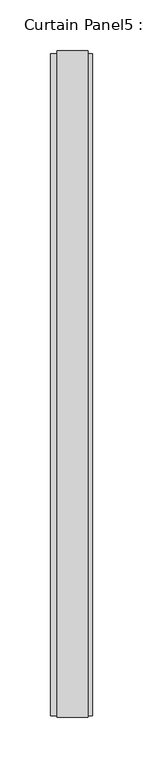
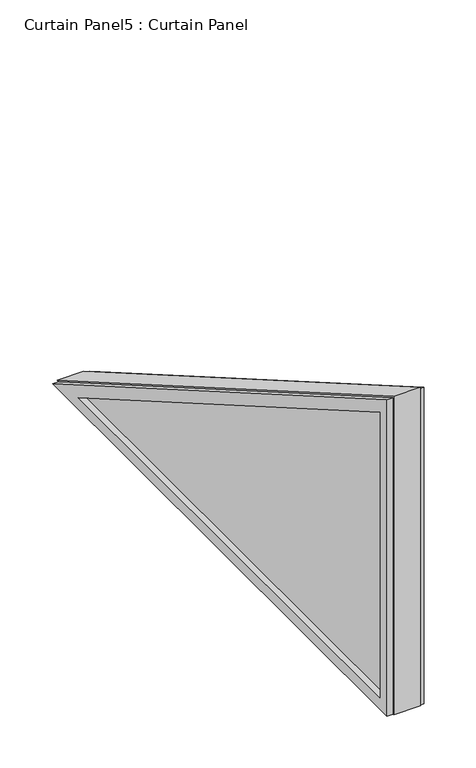
"""IFC4 building model written with IfcOpenShell, lengths in millimetres: plate geometry, Curtain Panel5 : Curtain Panel."""

from ifc_helpers import new_model, si_unit, frame, origin, place, context, project, spatial, polyline, outline, extrude, source, transform, mapped, element, save


def curtain_panel5_curtain_panel_3477af00(model_context):
    return source(origin(), model_context, "Body", "SweptSolid", [
        extrude(outline(polyline([(-18099.1739127, -82.9805969), (-18753.2161964, -82.9805969), (-18753.2161964, 294.6308917), (-18099.1739127, -82.9805969)]), holes=[polyline([(-18140.6644171, -71.8632497), (-18742.0988493, 275.3750816), (-18742.0988493, -71.8632497), (-18140.6644171, -71.8632497)])]), frame((12060.2335134, 0.0, 0.0), z_axis=(1.0, 0.0, 0.0), x_axis=(0.0, 1.0, 0.0)), (0.0, 0.0, 1.0), 4.4874478),
        extrude(outline(polyline([(-18099.1739127, -82.9805969), (-18753.2161964, -82.9805969), (-18753.2161964, 294.6308917), (-18099.1739127, -82.9805969)]), holes=[polyline([(-18149.253026, -69.5619389), (-18739.7975385, 271.3890943), (-18739.7975385, -69.5619389), (-18149.253026, -69.5619389)])]), frame((12023.0903612, 0.0, 0.0), z_axis=(1.0, 0.0, 0.0), x_axis=(0.0, 1.0, 0.0)), (0.0, 0.0, 1.0), 6.7884051),
        extrude(outline(polyline([(-18754.8036964, -82.9805969), (-18754.8036964, 297.3805223), (-18095.9989127, -82.9805969), (-18754.8036964, -82.9805969)])), frame((12029.8787663, 0.0, 0.0), z_axis=(1.0, 0.0, 0.0), x_axis=(0.0, 1.0, 0.0)), (0.0, 0.0, 1.0), 30.2381899),
    ])


if __name__ == "__main__":
    model = new_model("IFC4")
    model_context = context("Model", 3, world=origin())
    ifc_project = project(units=[si_unit("LENGTHUNIT", "METRE", prefix="MILLI")], contexts=[model_context])
    site = spatial("IfcSite", under=ifc_project)
    building = spatial("IfcBuilding", under=site)
    placement = place(None, origin())
    curtain_panel5_curtain_panel_shape = curtain_panel5_curtain_panel_3477af00(model_context)
    element("IfcPlate", 1, ObjectType="Curtain Panel5 : Curtain Panel", at=placement, inside=building, context=model_context, shape_type="MappedRepresentation", body=[
        mapped(curtain_panel5_curtain_panel_shape, transform((0.0, 0.0, 0.0), x_axis=(1.0, 0.0, 0.0), y_axis=(0.0, 1.0, 0.0), z_axis=(0.0, 0.0, 1.0))),
    ])
    save(model, "model.ifc")
